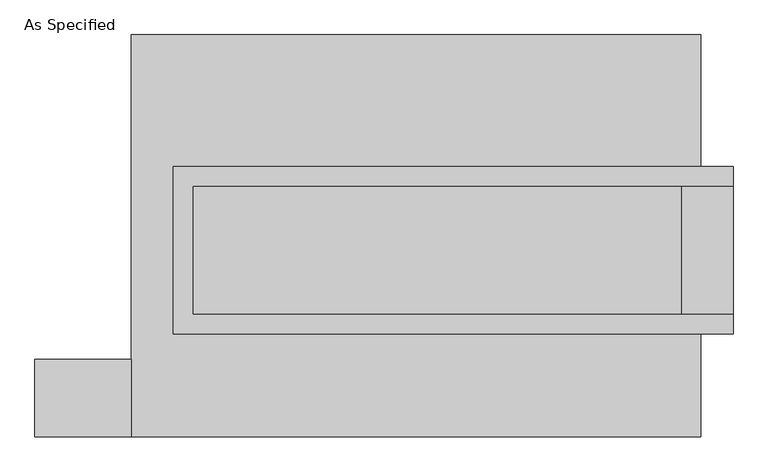
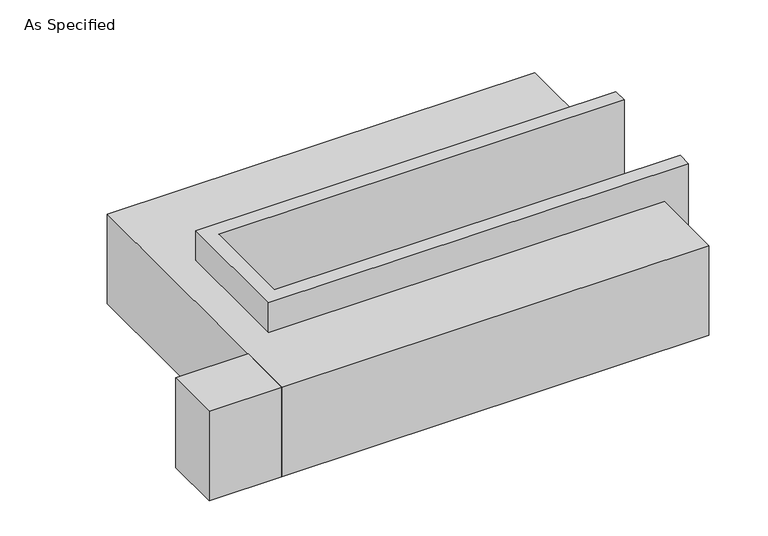
"""IFC4 building model written with IfcOpenShell, lengths in millimetres: proxy geometry, As Specified."""

from ifc_helpers import new_model, si_unit, frame, origin, place, context, project, spatial, polyline, outline, extrude, faceted_brep, source, transform, mapped, element, save


def as_specified_e32cc0c8(model_context):
    return source(origin(), model_context, "Body", "SolidModel", [
        extrude(outline(polyline([(-1123.95, -793.75), (-1504.95, -793.75), (-1504.95, -488.95), (-1123.95, -488.95), (-1123.95, -793.75)])), frame((0.0, 0.0, -523.9742188), z_axis=(0.0, 0.0, 1.0), x_axis=(1.0, 0.0, 0.0)), (0.0, 0.0, 1.0), 498.5742187),
        faceted_brep([(-958.85, 273.05, 139.7), (-958.85, 273.05, -393.7), (-958.85, 196.85, -393.7), (-958.85, 196.85, -25.4), (-958.85, -311.15, -25.4), (-958.85, -311.15, -393.7), (-958.85, -387.35, -393.7), (-958.85, -387.35, 139.7), (1250.95, 196.85, 139.7), (1250.95, 196.85, -317.5), (1250.95, -311.15, -317.5), (1250.95, -311.15, 139.7), (1250.95, -387.35, 139.7), (1250.95, -387.35, -393.7), (1250.95, 273.05, -393.7), (1250.95, 273.05, 139.7), (-882.65, -311.15, 139.7), (-882.65, 196.85, 139.7), (1047.75, -311.15, -393.7), (1047.75, 196.85, -393.7), (1047.75, -311.15, -317.5), (-882.65, -311.15, -25.4), (1047.75, 196.85, -317.5), (-882.65, 196.85, -25.4)], [[[0, 1, 2, 3, 4, 5, 6, 7]], [[8, 9, 10, 11, 12, 13, 14, 15]], [[0, 7, 12, 11, 16, 17, 8, 15]], [[1, 0, 15, 14]], [[14, 13, 6, 5, 18, 19, 2, 1]], [[7, 6, 13, 12]], [[11, 10, 20, 18, 5, 4, 21, 16]], [[10, 9, 22, 20]], [[9, 8, 17, 23, 3, 2, 19, 22]], [[18, 20, 22, 19]], [[23, 21, 4, 3]], [[17, 16, 21, 23]]]),
        faceted_brep([(-1123.95, 793.75, -523.9742188), (1123.95, 793.75, -523.9742188), (1123.95, -793.75, -523.9742188), (-1123.95, -793.75, -523.9742188), (1123.95, 793.75, -25.4), (-1123.95, 793.75, -25.4), (-1123.95, -793.75, -25.4), (1123.95, -793.75, -25.4), (1123.95, -387.35, -25.4), (-958.85, -387.35, -25.4), (-958.85, 273.05, -25.4), (1123.95, 273.05, -25.4), (1123.95, 273.05, -393.7), (1123.95, -387.35, -393.7), (-958.85, -387.35, -393.7), (-958.85, 273.05, -393.7)], [[[0, 1, 2, 3]], [[4, 5, 6, 7, 8, 9, 10, 11]], [[1, 0, 5, 4]], [[5, 0, 3, 6]], [[1, 4, 11, 12, 13, 8, 7, 2]], [[3, 2, 7, 6]], [[14, 15, 10, 9]], [[10, 15, 12, 11]], [[15, 14, 13, 12]], [[14, 9, 8, 13]]]),
    ])


if __name__ == "__main__":
    model = new_model("IFC4")
    model_context = context("Model", 3, world=origin())
    ifc_project = project(units=[si_unit("LENGTHUNIT", "METRE", prefix="MILLI")], contexts=[model_context])
    site = spatial("IfcSite", under=ifc_project)
    building = spatial("IfcBuilding", under=site)
    placement = place(None, origin())
    as_specified_shape = as_specified_e32cc0c8(model_context)
    element("IfcBuildingElementProxy", 1, Name="As Specified", ObjectType="As Specified", at=placement, inside=building, context=model_context, shape_type="MappedRepresentation", body=[
        mapped(as_specified_shape, transform((0.0, 0.0, 0.0), x_axis=(1.0, 0.0, 0.0), y_axis=(0.0, 1.0, 0.0), z_axis=(0.0, 0.0, 1.0))),
    ])
    save(model, "model.ifc")
